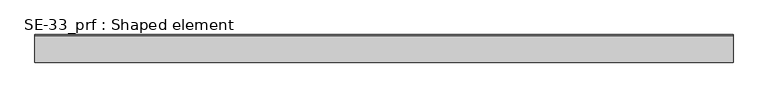
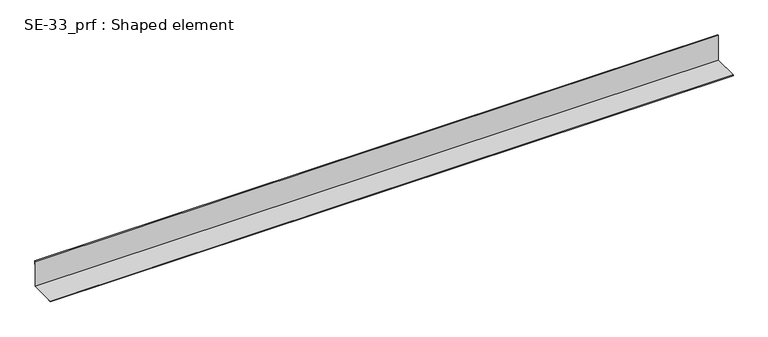
"""IFC4 building model written with IfcOpenShell, lengths in millimetres: proxy geometry, SE-33_prf : Shaped element."""

from ifc_helpers import new_model, si_unit, frame, origin, place, context, project, spatial, polyline, outline, extrude, source, transform, mapped, element, save


def se_33_prf_shaped_element_40537cc4(model_context):
    return source(origin(), model_context, "Body", "SweptSolid", [
        extrude(outline(polyline([(-75.0, 2.0), (-85.0, 2.0), (-85.0, 5.0), (-5.0, 5.0), (-5.0, 85.0), (-2.0, 85.0), (-2.0, 75.0), (-3.0, 75.0), (-3.0, 84.0), (-4.0, 84.0), (-4.0, 4.0), (-84.0, 4.0), (-84.0, 3.0), (-75.0, 3.0), (-75.0, 2.0)])), frame((0.0, 0.0, 0.0), z_axis=(1.0, 0.0, 0.0), x_axis=(0.0, 1.0, 0.0)), (0.0, 0.0, 1.0), 2100.0),
    ])


if __name__ == "__main__":
    model = new_model("IFC4")
    model_context = context("Model", 3, world=origin())
    ifc_project = project(units=[si_unit("LENGTHUNIT", "METRE", prefix="MILLI")], contexts=[model_context])
    site = spatial("IfcSite", under=ifc_project)
    building = spatial("IfcBuilding", under=site)
    placement = place(None, origin())
    se_33_prf_shaped_element_shape = se_33_prf_shaped_element_40537cc4(model_context)
    element("IfcBuildingElementProxy", 1, Name="SE-33_prf : Shaped element", ObjectType="SE-33_prf : Shaped element", at=placement, inside=building, context=model_context, shape_type="MappedRepresentation", body=[
        mapped(se_33_prf_shaped_element_shape, transform((0.0, 0.0, 0.0), x_axis=(1.0, 0.0, 0.0), y_axis=(0.0, 1.0, 0.0), z_axis=(0.0, 0.0, 1.0))),
    ])
    save(model, "model.ifc")
